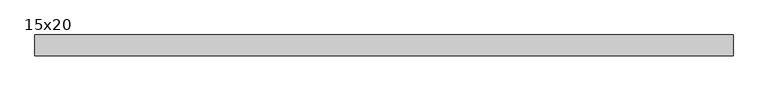
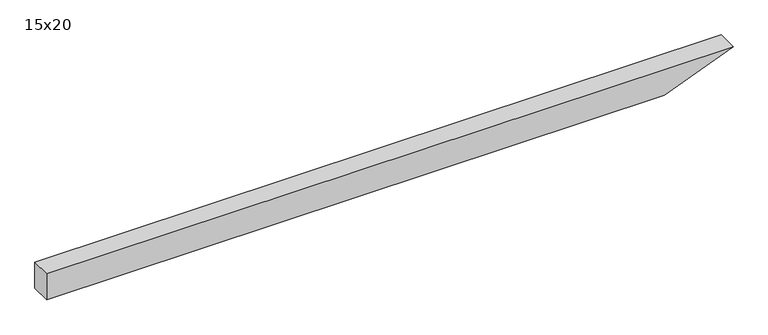
"""IFC4 building model written with IfcOpenShell, lengths in millimetres: beam geometry, 15x20."""

from ifc_helpers import new_model, si_unit, frame, origin, place, context, project, spatial, polyline, outline, extrude, source, transform, mapped, element, save


def beam_15x20_99488cbe(model_context):
    return source(origin(), model_context, "Body", "SweptSolid", [
        extrude(outline(polyline([(100.0, -2534.5), (-100.0, -2534.5), (-100.0, 1982.3), (100.0, 2484.5), (100.0, -2534.5)])), frame((0.0, -75.0, 0.0), z_axis=(0.0, 1.0, 0.0), x_axis=(0.0, 0.0, 1.0)), (0.0, 0.0, 1.0), 150.0),
    ])


if __name__ == "__main__":
    model = new_model("IFC4")
    model_context = context("Model", 3, world=origin())
    ifc_project = project(units=[si_unit("LENGTHUNIT", "METRE", prefix="MILLI")], contexts=[model_context])
    site = spatial("IfcSite", under=ifc_project)
    building = spatial("IfcBuilding", under=site)
    placement = place(None, origin())
    beam_15x20_shape = beam_15x20_99488cbe(model_context)
    element("IfcBeam", 1, ObjectType="15x20", at=placement, inside=building, context=model_context, shape_type="MappedRepresentation", body=[
        mapped(beam_15x20_shape, transform((0.0, 0.0, 0.0), x_axis=(1.0, 0.0, 0.0), y_axis=(0.0, 1.0, 0.0), z_axis=(0.0, 0.0, 1.0))),
    ])
    save(model, "model.ifc")
